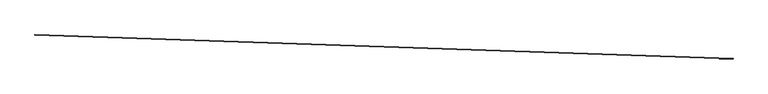
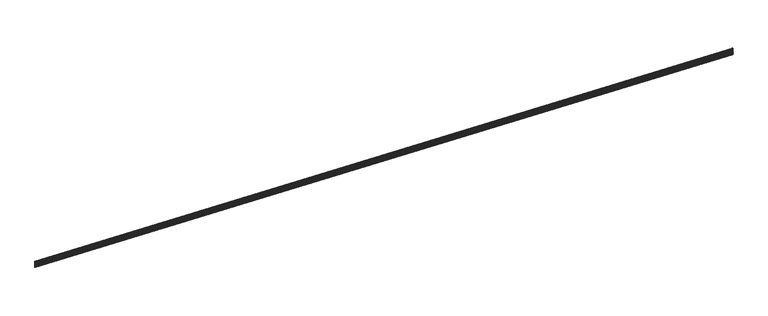
"""IFC4 building model written with IfcOpenShell, lengths in millimetres: proxy geometry."""

from ifc_helpers import new_model, si_unit, frame, origin, place, context, project, spatial, polyline, outline, extrude, source, transform, mapped, element, save


def generic_models_1cdd9ebf(model_context):
    return source(origin(), model_context, "Body", "SweptSolid", [
        extrude(outline(polyline([(-3.1749993, 0.0), (0.0, 0.0), (0.0, 12.7), (5.4236225, 15.2290767), (5.4236225, 19.6959233), (-1e-07, 22.225), (-1e-07, 31.75), (3.1749999, 31.75), (3.1749999, 24.247698), (9.2139906, 21.4316705), (9.2139906, 13.4933295), (3.175, 10.6773019), (3.175, -3.175), (1e-07, -3.175), (1e-07, -34.13125), (9.5250002, -34.13125), (9.5250002, -37.30625), (3e-07, -37.30625), (3e-07, -59.5312499), (9.5250003, -59.5312499), (9.5250003, -62.70625), (4e-07, -62.70625), (4e-07, -84.9312499), (9.5250004, -84.9312499), (9.5250004, -88.10625), (6e-07, -88.10625), (6e-07, -113.50625), (8.8104391, -113.50625), (8.8104391, -123.03125), (4.9129911, -123.03125), (4.9129911, -116.68125), (7e-07, -116.68125), (7e-07, -133.35), (-3.1749993, -133.35), (-3.1749993, 0.0)])), frame((34377.09634, -14812.3976044, 3629.9824341), z_axis=(-0.9994149475908112, 0.03420179135741461, 0.0), x_axis=(-0.03420179135741461, -0.9994149475908112, 0.0)), (0.0, 0.0, 1.0), 17068.8),
    ])


if __name__ == "__main__":
    model = new_model("IFC4")
    model_context = context("Model", 3, world=origin())
    ifc_project = project(units=[si_unit("LENGTHUNIT", "METRE", prefix="MILLI")], contexts=[model_context])
    site = spatial("IfcSite", under=ifc_project)
    building = spatial("IfcBuilding", under=site)
    placement = place(None, origin())
    generic_models_shape = generic_models_1cdd9ebf(model_context)
    element("IfcBuildingElementProxy", 1, Name="Generic Models", at=placement, inside=building, context=model_context, shape_type="MappedRepresentation", body=[
        mapped(generic_models_shape, transform((0.0, 0.0, 0.0), x_axis=(1.0, 0.0, 0.0), y_axis=(0.0, 1.0, 0.0), z_axis=(0.0, 0.0, 1.0))),
    ])
    save(model, "model.ifc")
